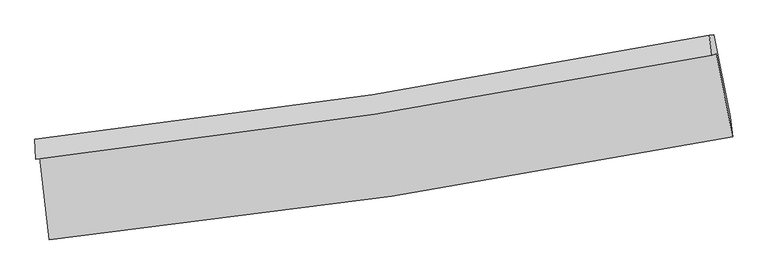
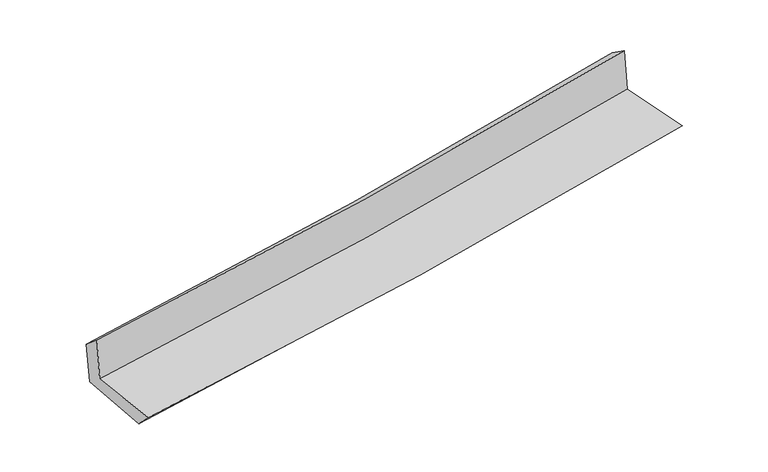
"""IFC4 building model written with IfcOpenShell, lengths in millimetres: proxy geometry."""

from ifc_helpers import new_model, si_unit, frame, origin, place, context, project, spatial, source, transform, mapped, element, save
from ifc_brep_helpers import plane_surface, spline_curve, spline_surface, advanced_brep


def generic_models_e17a8196(model_context):
    return source(origin(), model_context, "Body", "AdvancedBrep", [
        advanced_brep(
        [(-2722.7147963, -1897.215083, 1663.4347466), (-2647.8582979, -2553.9648196, 1652.4423292), (2802.5679687, -1731.1166804, 2124.8911855), (2672.0042358, -1073.2537051, 2131.1452751), (-2755.8748398, -1912.270379, 2064.1216168), (2638.208546, -1082.8540035, 2526.9275468), (-2762.2649907, -1752.6223109, 1931.064066), (2617.0408982, -925.5619959, 2416.9877924), (-2729.3345596, -1748.5415732, 1547.2134428), (2651.691067, -921.2413184, 2023.2992902), (-2651.6873765, -2407.415257, 1506.8865319), (2783.4329413, -1571.7042991, 1987.766396)],
        [
            (0, 1),
            (1, 2, spline_curve(3, [(-2647.8582979, -2553.9648196, 1652.4423292), (-1734.627521421, -2460.269024928, 1731.523694278), (-824.59798727, -2345.00801328, 1810.36673796), (992.233221507, -2070.876555498, 1967.85136143), (1899.012442607, -1911.854854124, 2046.491270031), (2802.5679687, -1731.1166804, 2124.8911855)], [4, 2, 4], [0.0, 9.017026707411883, 18.065620219441097])),
            (2, 3),
            (3, 0, spline_curve(3, [(2672.0042358, -1073.2537051, 2131.1452751), (1776.770567241, -1247.05584566, 2053.66620091), (878.80351129, -1402.708684826, 1975.882150109), (-919.455204139, -1677.236067536, 1819.976516646), (-1819.727825335, -1796.237020939, 1741.857057797), (-2722.7147963, -1897.215083, 1663.4347466)], [4, 2, 4], [0.0, 9.048593512029214, 18.065620219441097])),
            (4, 0),
            (3, 5),
            (5, 4, spline_curve(3, [(2638.208546, -1082.8540035, 2526.9275468), (1743.57008668, -1259.259377015, 2448.552662791), (845.953271082, -1416.667731161, 2370.73163642), (-952.095268181, -1693.00754227, 2216.466850414), (-1852.506248085, -1812.071312803, 2140.019233967), (-2755.8748398, -1912.270379, 2064.1216168)], [4, 2, 4], [0.0, 9.002777834511296, 17.974148696376794])),
            (6, 4),
            (5, 7),
            (7, 6, spline_curve(3, [(2617.0408982, -925.5619959, 2416.9877924), (1725.033317352, -1101.508091786, 2332.871927996), (829.965407691, -1258.490183348, 2250.252205288), (-963.157870501, -1534.044870762, 2088.288050571), (-1861.191923695, -1652.749550694, 2008.933197687), (-2762.2649907, -1752.6223109, 1931.064066)], [4, 2, 4], [0.0, 8.992117965986537, 17.952866147204766])),
            (8, 6),
            (7, 9),
            (9, 8, spline_curve(3, [(2651.691067, -921.2413184, 2023.2992902), (1758.813415753, -1097.305960088, 1947.502252163), (863.167418125, -1254.367286334, 1869.857365354), (-930.527072033, -1530.001679702, 1711.149212758), (-1828.556283641, -1648.707105136, 1630.098816773), (-2729.3345596, -1748.5415732, 1547.2134428)], [4, 2, 4], [0.0, 8.98223727974477, 17.933139244353626])),
            (10, 8),
            (9, 11),
            (11, 10, spline_curve(3, [(2783.4329413, -1571.7042991, 1987.766396), (1882.108765216, -1752.832834861, 1910.969595702), (977.723226653, -1913.125026887, 1832.424802758), (-834.004868299, -2191.550221267, 1672.11934), (-1741.326102329, -2309.828348184, 1590.370844772), (-2651.6873765, -2407.415257, 1506.8865319)], [4, 2, 4], [0.0, 9.028341933577943, 18.02518771192946])),
            (1, 10),
            (11, 2),
        ],
        [
            spline_surface(3, 3, [[(-2722.7147963, -1897.215083, 1663.4347466), (-1819.727825434, -1796.23702097, 1741.857057668), (-919.455204133, -1677.236067536, 1819.976516538), (878.803511284, -1402.708684826, 1975.882150217), (1776.770567358, -1247.055845675, 2053.666200811), (2672.0042358, -1073.2537051, 2131.1452751)], [(-2697.762630151, -2116.131661853, 1659.770607474), (-1791.361057435, -2017.581022238, 1738.412603205), (-887.836131819, -1899.826716105, 1816.773256984), (916.61341465, -1625.431308376, 1973.205220651), (1817.517859131, -1468.655515119, 2051.274557193), (2715.525480114, -1292.541363538, 2129.060578546)], [(-2672.810464049, -2335.048240747, 1656.106468326), (-1762.994289484, -2238.925023546, 1734.96814872), (-856.217059483, -2122.417364704, 1813.569997428), (954.423318039, -1848.153931954, 1970.528291082), (1858.265150862, -1690.255184548, 2048.882913637), (2759.046724386, -1511.829021962, 2126.975882054)], [(-2647.8582979, -2553.9648196, 1652.4423292), (-1734.627521485, -2460.269024814, 1731.523694257), (-824.59798717, -2345.008013273, 1810.366737874), (992.233221406, -2070.876555504, 1967.851361516), (1899.012442636, -1911.854853992, 2046.491270019), (2802.5679687, -1731.1166804, 2124.8911855)]], [4, 4], [4, 2, 4], [0.0, 2.2181851656950005], [0.0, 9.017026707411883, 18.065620219441097]),
            spline_surface(3, 3, [[(-2755.8748398, -1912.270379, 2064.1216168), (-1852.506247986, -1812.07131292, 2140.019233872), (-952.095268315, -1693.007542145, 2216.466850549), (845.953271217, -1416.667731287, 2370.731636285), (1743.570086808, -1259.259376886, 2448.552662901), (2638.208546, -1082.8540035, 2526.9275468)], [(-2744.821491961, -1907.251947025, 1930.559326733), (-1841.58010713, -1806.793215628, 2007.29850847), (-941.215246897, -1687.750383962, 2084.303405881), (856.903351263, -1412.01471582, 2239.115140932), (1754.636913657, -1255.191533145, 2316.923842202), (2649.473775932, -1079.653904029, 2395.000122897)], [(-2733.768144139, -1902.233514975, 1796.997036667), (-1830.65396629, -1801.515118262, 1874.57778307), (-930.33522555, -1682.493225718, 1952.139961205), (867.853431238, -1407.361700292, 2107.498645571), (1765.703740509, -1251.123689416, 2185.29502151), (2660.739005868, -1076.453804571, 2263.072699003)], [(-2722.7147963, -1897.215083, 1663.4347466), (-1819.727825434, -1796.23702097, 1741.857057668), (-919.455204133, -1677.236067536, 1819.976516538), (878.803511284, -1402.708684826, 1975.882150217), (1776.770567358, -1247.055845675, 2053.666200811), (2672.0042358, -1073.2537051, 2131.1452751)]], [4, 4], [4, 2, 4], [0.0, 1.3034705713201977], [0.0, 8.971370861865498, 17.974148696376794]),
            spline_surface(3, 3, [[(-2762.2649907, -1752.6223109, 1931.064066), (-1861.191923832, -1652.749550636, 2008.933197651), (-963.157870487, -1534.044870717, 2088.288050506), (829.965407676, -1258.490183393, 2250.252205353), (1725.033317306, -1101.508091671, 2332.871927937), (2617.0408982, -925.5619959, 2416.9877924)], [(-2760.134940413, -1805.838333576, 1975.416582933), (-1858.296698563, -1705.856804707, 2052.628543058), (-959.470336456, -1587.032427847, 2131.014317177), (835.294695497, -1311.216032678, 2290.412015654), (1731.212240466, -1154.091853403, 2371.432172932), (2624.096780793, -977.992665094, 2453.634377207)], [(-2758.004890087, -1859.054356324, 2019.769099867), (-1855.401473255, -1758.964058849, 2096.323888465), (-955.782802346, -1640.019985014, 2173.740583878), (840.623983397, -1363.941882001, 2330.571825985), (1737.391163648, -1206.675615154, 2409.992417906), (2631.152663407, -1030.423334306, 2490.280961993)], [(-2755.8748398, -1912.270379, 2064.1216168), (-1852.506247986, -1812.07131292, 2140.019233872), (-952.095268315, -1693.007542145, 2216.466850549), (845.953271217, -1416.667731287, 2370.731636285), (1743.570086808, -1259.259376886, 2448.552662901), (2638.208546, -1082.8540035, 2526.9275468)]], [4, 4], [4, 2, 4], [0.0, 0.6625476527360714], [0.0, 8.960748181218229, 17.952866147204766]),
            spline_surface(3, 3, [[(-2729.3345596, -1748.5415732, 1547.2134428), (-1828.556283641, -1648.707105241, 1630.098816843), (-930.527072155, -1530.001679746, 1711.149212694), (863.167418247, -1254.36728629, 1869.857365418), (1758.813415636, -1097.305960219, 1947.502252061), (2651.691067, -921.2413184, 2023.2992902)], [(-2740.311369964, -1749.901819109, 1675.163650523), (-1839.434830369, -1650.054587048, 1756.376943768), (-941.404004909, -1531.349410074, 1836.862158619), (852.100081413, -1255.741585328, 1996.655645384), (1747.553382862, -1098.706670716, 2075.958810703), (2640.141010736, -922.681544247, 2154.52879095)], [(-2751.288180336, -1751.262064991, 1803.113858277), (-1850.313377104, -1651.402068829, 1882.655070726), (-952.280937733, -1532.697140389, 1962.575104582), (841.03274451, -1257.115884354, 2123.453925388), (1736.29335008, -1100.107381174, 2204.415369295), (2628.590954464, -924.121770053, 2285.75829165)], [(-2762.2649907, -1752.6223109, 1931.064066), (-1861.191923832, -1652.749550636, 2008.933197651), (-963.157870487, -1534.044870717, 2088.288050506), (829.965407676, -1258.490183393, 2250.252205353), (1725.033317306, -1101.508091671, 2332.871927937), (2617.0408982, -925.5619959, 2416.9877924)]], [4, 4], [4, 2, 4], [0.0, 1.2474479806892944], [0.0, 8.950901964608857, 17.933139244353626]),
            spline_surface(3, 3, [[(-2651.6873765, -2407.415257, 1506.8865319), (-1741.32610235, -2309.828348124, 1590.370844853), (-834.004868321, -2191.55022113, 1672.11933999), (977.723226675, -1913.125027025, 1832.424802769), (1882.108765256, -1752.832834738, 1910.969595723), (2783.4329413, -1571.7042991, 1987.766396)], [(-2677.569770869, -2187.790695719, 1520.328835522), (-1770.40282945, -2089.454600482, 1603.613502172), (-866.178936263, -1971.034040654, 1685.129297573), (939.537957202, -1693.539113432, 1844.902323667), (1841.010315381, -1534.323876543, 1923.14714784), (2739.518983198, -1354.883305511, 1999.610694071)], [(-2703.452165231, -1968.166134481, 1533.771139178), (-1799.479556542, -1869.080852883, 1616.856159524), (-898.353004213, -1750.517860222, 1698.139255111), (901.352687721, -1473.953199883, 1857.37984452), (1799.911865511, -1315.814918415, 1935.324699944), (2695.605025102, -1138.062311989, 2011.454992129)], [(-2729.3345596, -1748.5415732, 1547.2134428), (-1828.556283641, -1648.707105241, 1630.098816843), (-930.527072155, -1530.001679746, 1711.149212694), (863.167418247, -1254.36728629, 1869.857365418), (1758.813415636, -1097.305960219, 1947.502252061), (2651.691067, -921.2413184, 2023.2992902)]], [4, 4], [4, 2, 4], [0.0, 2.196943719317506], [0.0, 8.996845778351515, 18.02518771192946]),
            spline_surface(3, 3, [[(-2647.8582979, -2553.9648196, 1652.4423292), (-1734.627521485, -2460.269024814, 1731.523694257), (-824.59798717, -2345.008013273, 1810.366737874), (992.233221406, -2070.876555504, 1967.851361516), (1899.012442636, -1911.854853992, 2046.491270019), (2802.5679687, -1731.1166804, 2124.8911855)], [(-2649.134657442, -2505.114965418, 1603.923730114), (-1736.860381782, -2410.122132602, 1684.47274447), (-827.733614235, -2293.855415903, 1764.284271917), (987.39655648, -2018.292712689, 1922.709175271), (1893.377883502, -1858.847514256, 2001.317378582), (2796.189626226, -1677.979219982, 2079.182922329)], [(-2650.411016958, -2456.265111182, 1555.405130986), (-1739.093242054, -2359.975240336, 1637.42179464), (-830.869241255, -2242.7028185, 1718.201805947), (982.559891601, -1965.70886984, 1877.566989013), (1887.74332439, -1805.840174474, 1956.14348716), (2789.811283774, -1624.841759518, 2033.474659171)], [(-2651.6873765, -2407.415257, 1506.8865319), (-1741.32610235, -2309.828348124, 1590.370844853), (-834.004868321, -2191.55022113, 1672.11933999), (977.723226675, -1913.125027025, 1832.424802769), (1882.108765256, -1752.832834738, 1910.969595723), (2783.4329413, -1571.7042991, 1987.766396)]], [4, 4], [4, 2, 4], [0.0, 0.6809728687754395], [0.0, 9.0523253450693, 18.136341068216936]),
            plane_surface(frame((2694.1576095, -1217.6220004, 2201.8362477), z_axis=(0.9772121306446011, 0.19310602520395703, 0.08812783187488381), x_axis=(-0.0876700032736339, -0.010931947152137812, 0.9960895858593563))),
            plane_surface(frame((-2711.6224768, -2045.3382371, 1727.5271222), z_axis=(-0.9900367633977275, -0.1114032060394583, -0.08611929403497441), x_axis=(-0.11323134246536462, 0.9934295068077952, 0.016627630231402585))),
        ],
        [
            (0, [[1, 2, 3, 4]]),
            (1, [[5, -4, 6, 7]]),
            (2, [[8, -7, 9, 10]]),
            (3, [[11, -10, 12, 13]]),
            (4, [[14, -13, 15, 16]]),
            (5, [[17, -16, 18, -2]]),
            (6, [[-12, -9, -6, -3, -18, -15]]),
            (7, [[-1, -5, -8, -11, -14, -17]]),
        ],
    ),
    ])


if __name__ == "__main__":
    model = new_model("IFC4")
    model_context = context("Model", 3, world=origin())
    ifc_project = project(units=[si_unit("LENGTHUNIT", "METRE", prefix="MILLI")], contexts=[model_context])
    site = spatial("IfcSite", under=ifc_project)
    building = spatial("IfcBuilding", under=site)
    placement = place(None, origin())
    generic_models_shape = generic_models_e17a8196(model_context)
    element("IfcBuildingElementProxy", 1, Name="Generic Models", at=placement, inside=building, context=model_context, shape_type="MappedRepresentation", body=[
        mapped(generic_models_shape, transform((0.0, 0.0, 0.0), x_axis=(1.0, 0.0, 0.0), y_axis=(0.0, 1.0, 0.0), z_axis=(0.0, 0.0, 1.0))),
    ])
    save(model, "model.ifc")
